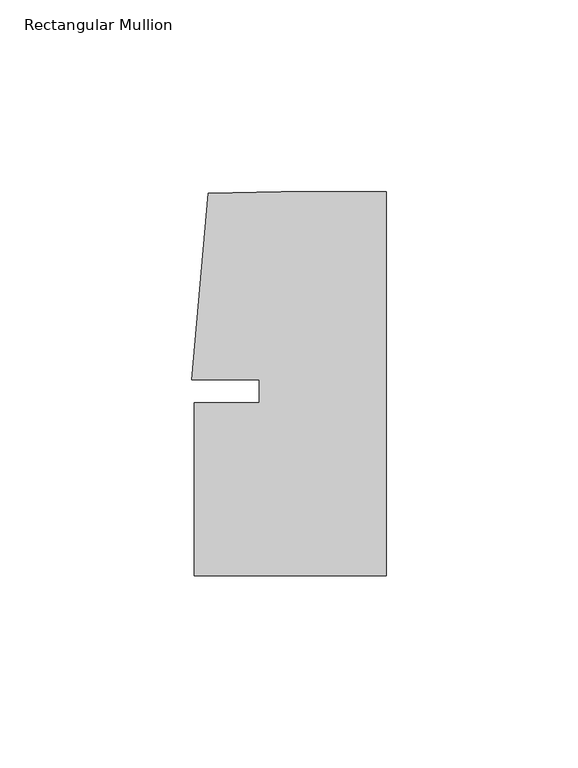
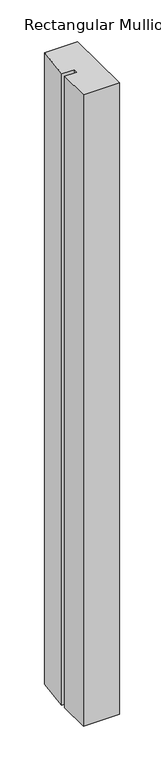
"""IFC4 building model written with IfcOpenShell, lengths in millimetres: member geometry, Rectangular Mullion."""

from ifc_helpers import new_model, si_unit, frame, origin, place, context, project, spatial, polyline, outline, extrude, source, transform, mapped, element, save


def rectangular_mullion_f8d82f4e(model_context):
    return source(origin(), model_context, "Body", "SweptSolid", [
        extrude(outline(polyline([(-33.0004671, -3.0000287), (-33.0004665, 2.9999885), (-50.6129097, 2.9999903), (-46.3623019, 51.5846059), (-27.2554335, 51.9999707), (0.0, 51.999968), (-9.8e-06, -48.0000271), (-50.0000098, -48.0000271), (-50.0000054, -3.0000271), (-33.0004671, -3.0000287)])), frame((0.0, 0.0, -927.9988652), z_axis=(0.0, 0.0, 1.0), x_axis=(1.0, 0.0, 0.0)), (0.0, 0.0, 1.0), 927.9988652),
    ])


if __name__ == "__main__":
    model = new_model("IFC4")
    model_context = context("Model", 3, world=origin())
    ifc_project = project(units=[si_unit("LENGTHUNIT", "METRE", prefix="MILLI")], contexts=[model_context])
    site = spatial("IfcSite", under=ifc_project)
    building = spatial("IfcBuilding", under=site)
    placement = place(None, origin())
    rectangular_mullion_shape = rectangular_mullion_f8d82f4e(model_context)
    element("IfcMember", 1, ObjectType="Rectangular Mullion", at=placement, inside=building, context=model_context, shape_type="MappedRepresentation", body=[
        mapped(rectangular_mullion_shape, transform((0.0, 0.0, 0.0), x_axis=(1.0, 0.0, 0.0), y_axis=(0.0, 1.0, 0.0), z_axis=(0.0, 0.0, 1.0))),
    ])
    save(model, "model.ifc")
